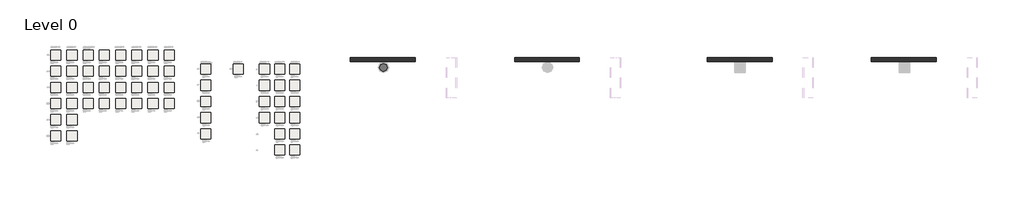
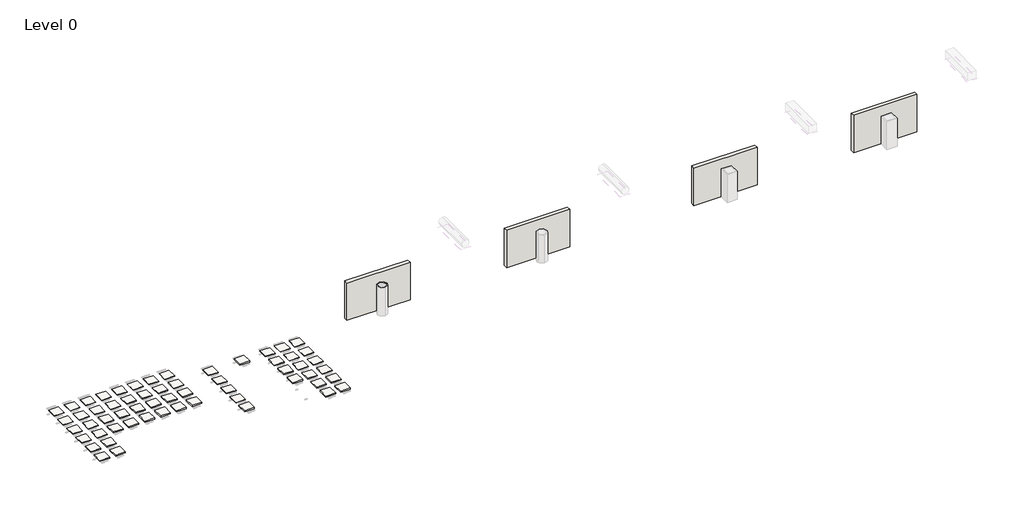
# One storey, part 1 of 71: 58 coverings, 4 walls, 1 duct segment.
"""IFC4 building model written with IfcOpenShell, lengths in millimetres."""

from ifc_helpers import new_model, si_unit, point, frame, frame_2d, origin, origin_with_axes, place, context, project, spatial, polyline, circle_curve, trimmed, segment, composite_curve, outline, extrude, element, save

model = new_model("IFC4")

# Units and contexts
model_context = context("Model", 3, world=origin())
ifc_project = project(units=[si_unit("LENGTHUNIT", "METRE", prefix="MILLI")], contexts=[model_context])

# Site, building, storey
site = spatial("IfcSite", under=ifc_project)
building = spatial("IfcBuilding", under=site)
storey = spatial("IfcBuildingStorey", under=building, Name="Level 0", Elevation=0.0)

# Coverings
placement = place(None, origin())
element("IfcCovering", 1, at=placement, inside=storey, context=model_context, shape_type="SweptSolid", body=[
    extrude(outline(polyline([(-15263.4348709, 5715.4921038), (-15263.4348709, 5215.4921038), (-15763.4348709, 5215.4921038), (-15763.4348709, 5715.4921038), (-15263.4348709, 5715.4921038)])), origin_with_axes(), (0.0, 0.0, 1.0), 21.0),
])
element("IfcCovering", 2, at=placement, inside=storey, context=model_context, shape_type="SweptSolid", body=[
    extrude(outline(polyline([(-7863.4348709, 5015.4921038), (-7863.4348709, 4515.4921038), (-8363.4348709, 4515.4921038), (-8363.4348709, 5015.4921038), (-7863.4348709, 5015.4921038)])), origin_with_axes(), (0.0, 0.0, 1.0), 21.0),
])
element("IfcCovering", 3, at=placement, inside=storey, context=model_context, shape_type="SweptSolid", body=[
    extrude(outline(polyline([(-4963.4348709, 5015.4921038), (-4963.4348709, 4515.4921038), (-5463.4348709, 4515.4921038), (-5463.4348709, 5015.4921038), (-4963.4348709, 5015.4921038)])), origin_with_axes(), (0.0, 0.0, 1.0), 22.0),
])
element("IfcCovering", 4, at=placement, inside=storey, context=model_context, shape_type="SweptSolid", body=[
    extrude(outline(polyline([(-4213.4348709, 5015.4921038), (-4213.4348709, 4515.4921038), (-4713.4348709, 4515.4921038), (-4713.4348709, 5015.4921038), (-4213.4348709, 5015.4921038)])), origin_with_axes(), (0.0, 0.0, 1.0), 21.0),
])
element("IfcCovering", 5, at=placement, inside=storey, context=model_context, shape_type="SweptSolid", body=[
    extrude(outline(polyline([(-3463.4348709, 5015.4921038), (-3463.4348709, 4515.4921038), (-3963.4348709, 4515.4921038), (-3963.4348709, 5015.4921038), (-3463.4348709, 5015.4921038)])), origin_with_axes(), (0.0, 0.0, 1.0), 21.0),
])
element("IfcCovering", 6, at=placement, inside=storey, context=model_context, shape_type="SweptSolid", body=[
    extrude(outline(polyline([(-15263.4348709, 4915.4921038), (-15263.4348709, 4415.4921038), (-15763.4348709, 4415.4921038), (-15763.4348709, 4915.4921038), (-15263.4348709, 4915.4921038)])), origin_with_axes(), (0.0, 0.0, 1.0), 21.0),
])
element("IfcCovering", 7, at=placement, inside=storey, context=model_context, shape_type="SweptSolid", body=[
    extrude(outline(polyline([(-15263.4348709, 4115.4921038), (-15263.4348709, 3615.4921038), (-15763.4348709, 3615.4921038), (-15763.4348709, 4115.4921038), (-15263.4348709, 4115.4921038)])), origin_with_axes(), (0.0, 0.0, 1.0), 21.0),
])
element("IfcCovering", 8, at=placement, inside=storey, context=model_context, shape_type="SweptSolid", body=[
    extrude(outline(polyline([(-15263.4348709, 3315.4921038), (-15263.4348709, 2815.4921038), (-15763.4348709, 2815.4921038), (-15763.4348709, 3315.4921038), (-15263.4348709, 3315.4921038)])), origin_with_axes(), (0.0, 0.0, 1.0), 24.0),
])
element("IfcCovering", 9, at=placement, inside=storey, context=model_context, shape_type="SweptSolid", body=[
    extrude(outline(polyline([(-15263.4348709, 2515.4921038), (-15263.4348709, 2015.4921038), (-15763.4348709, 2015.4921038), (-15763.4348709, 2515.4921038), (-15263.4348709, 2515.4921038)])), origin_with_axes(), (0.0, 0.0, 1.0), 34.0),
])
element("IfcCovering", 10, at=placement, inside=storey, context=model_context, shape_type="SweptSolid", body=[
    extrude(outline(polyline([(-15263.4348709, 1715.4921038), (-15263.4348709, 1215.4921038), (-15763.4348709, 1215.4921038), (-15763.4348709, 1715.4921038), (-15263.4348709, 1715.4921038)])), origin_with_axes(), (0.0, 0.0, 1.0), 43.0),
])
element("IfcCovering", 11, at=placement, inside=storey, context=model_context, shape_type="SweptSolid", body=[
    extrude(outline(polyline([(-14463.4348709, 5715.4921038), (-14463.4348709, 5215.4921038), (-14963.4348709, 5215.4921038), (-14963.4348709, 5715.4921038), (-14463.4348709, 5715.4921038)])), origin_with_axes(), (0.0, 0.0, 1.0), 21.0),
])
element("IfcCovering", 12, at=placement, inside=storey, context=model_context, shape_type="SweptSolid", body=[
    extrude(outline(polyline([(-14463.4348709, 4915.4921038), (-14463.4348709, 4415.4921038), (-14963.4348709, 4415.4921038), (-14963.4348709, 4915.4921038), (-14463.4348709, 4915.4921038)])), origin_with_axes(), (0.0, 0.0, 1.0), 21.0),
])
element("IfcCovering", 13, at=placement, inside=storey, context=model_context, shape_type="SweptSolid", body=[
    extrude(outline(polyline([(-14463.4348709, 4115.4921038), (-14463.4348709, 3615.4921038), (-14963.4348709, 3615.4921038), (-14963.4348709, 4115.4921038), (-14463.4348709, 4115.4921038)])), origin_with_axes(), (0.0, 0.0, 1.0), 23.0),
])
element("IfcCovering", 14, at=placement, inside=storey, context=model_context, shape_type="SweptSolid", body=[
    extrude(outline(polyline([(-14463.4348709, 3315.4921038), (-14463.4348709, 2815.4921038), (-14963.4348709, 2815.4921038), (-14963.4348709, 3315.4921038), (-14463.4348709, 3315.4921038)])), origin_with_axes(), (0.0, 0.0, 1.0), 30.0),
])
element("IfcCovering", 15, at=placement, inside=storey, context=model_context, shape_type="SweptSolid", body=[
    extrude(outline(polyline([(-14463.4348709, 2515.4921038), (-14463.4348709, 2015.4921038), (-14963.4348709, 2015.4921038), (-14963.4348709, 2515.4921038), (-14463.4348709, 2515.4921038)])), origin_with_axes(), (0.0, 0.0, 1.0), 43.0),
])
element("IfcCovering", 16, at=placement, inside=storey, context=model_context, shape_type="SweptSolid", body=[
    extrude(outline(polyline([(-14463.4348709, 1715.4921038), (-14463.4348709, 1215.4921038), (-14963.4348709, 1215.4921038), (-14963.4348709, 1715.4921038), (-14463.4348709, 1715.4921038)])), origin_with_axes(), (0.0, 0.0, 1.0), 56.0),
])
element("IfcCovering", 17, at=placement, inside=storey, context=model_context, shape_type="SweptSolid", body=[
    extrude(outline(polyline([(-13663.4348709, 5715.4921038), (-13663.4348709, 5215.4921038), (-14163.4348709, 5215.4921038), (-14163.4348709, 5715.4921038), (-13663.4348709, 5715.4921038)])), origin_with_axes(), (0.0, 0.0, 1.0), 21.0),
])
element("IfcCovering", 18, at=placement, inside=storey, context=model_context, shape_type="SweptSolid", body=[
    extrude(outline(polyline([(-13663.4348709, 4915.4921038), (-13663.4348709, 4415.4921038), (-14163.4348709, 4415.4921038), (-14163.4348709, 4915.4921038), (-13663.4348709, 4915.4921038)])), origin_with_axes(), (0.0, 0.0, 1.0), 25.0),
])
element("IfcCovering", 19, at=placement, inside=storey, context=model_context, shape_type="SweptSolid", body=[
    extrude(outline(polyline([(-13663.4348709, 4115.4921038), (-13663.4348709, 3615.4921038), (-14163.4348709, 3615.4921038), (-14163.4348709, 4115.4921038), (-13663.4348709, 4115.4921038)])), origin_with_axes(), (0.0, 0.0, 1.0), 38.0),
])
element("IfcCovering", 20, at=placement, inside=storey, context=model_context, shape_type="SweptSolid", body=[
    extrude(outline(polyline([(-13663.4348709, 3315.4921038), (-13663.4348709, 2815.4921038), (-14163.4348709, 2815.4921038), (-14163.4348709, 3315.4921038), (-13663.4348709, 3315.4921038)])), origin_with_axes(), (0.0, 0.0, 1.0), 51.0),
])
element("IfcCovering", 21, at=placement, inside=storey, context=model_context, shape_type="SweptSolid", body=[
    extrude(outline(polyline([(-12863.4348709, 5715.4921038), (-12863.4348709, 5215.4921038), (-13363.4348709, 5215.4921038), (-13363.4348709, 5715.4921038), (-12863.4348709, 5715.4921038)])), origin_with_axes(), (0.0, 0.0, 1.0), 21.0),
])
element("IfcCovering", 22, at=placement, inside=storey, context=model_context, shape_type="SweptSolid", body=[
    extrude(outline(polyline([(-12863.4348709, 4915.4921038), (-12863.4348709, 4415.4921038), (-13363.4348709, 4415.4921038), (-13363.4348709, 4915.4921038), (-12863.4348709, 4915.4921038)])), origin_with_axes(), (0.0, 0.0, 1.0), 26.0),
])
element("IfcCovering", 23, at=placement, inside=storey, context=model_context, shape_type="SweptSolid", body=[
    extrude(outline(polyline([(-12863.4348709, 4115.4921038), (-12863.4348709, 3615.4921038), (-13363.4348709, 3615.4921038), (-13363.4348709, 4115.4921038), (-12863.4348709, 4115.4921038)])), origin_with_axes(), (0.0, 0.0, 1.0), 38.0),
])
element("IfcCovering", 24, at=placement, inside=storey, context=model_context, shape_type="SweptSolid", body=[
    extrude(outline(polyline([(-12863.4348709, 3315.4921038), (-12863.4348709, 2815.4921038), (-13363.4348709, 2815.4921038), (-13363.4348709, 3315.4921038), (-12863.4348709, 3315.4921038)])), origin_with_axes(), (0.0, 0.0, 1.0), 51.0),
])
element("IfcCovering", 25, at=placement, inside=storey, context=model_context, shape_type="SweptSolid", body=[
    extrude(outline(polyline([(-12063.4348709, 5715.4921038), (-12063.4348709, 5215.4921038), (-12563.4348709, 5215.4921038), (-12563.4348709, 5715.4921038), (-12063.4348709, 5715.4921038)])), origin_with_axes(), (0.0, 0.0, 1.0), 21.0),
])
element("IfcCovering", 26, at=placement, inside=storey, context=model_context, shape_type="SweptSolid", body=[
    extrude(outline(polyline([(-12063.4348709, 4915.4921038), (-12063.4348709, 4415.4921038), (-12563.4348709, 4415.4921038), (-12563.4348709, 4915.4921038), (-12063.4348709, 4915.4921038)])), origin_with_axes(), (0.0, 0.0, 1.0), 35.0),
])
element("IfcCovering", 27, at=placement, inside=storey, context=model_context, shape_type="SweptSolid", body=[
    extrude(outline(polyline([(-12063.4348709, 4115.4921038), (-12063.4348709, 3615.4921038), (-12563.4348709, 3615.4921038), (-12563.4348709, 4115.4921038), (-12063.4348709, 4115.4921038)])), origin_with_axes(), (0.0, 0.0, 1.0), 52.0),
])
element("IfcCovering", 28, at=placement, inside=storey, context=model_context, shape_type="SweptSolid", body=[
    extrude(outline(polyline([(-12063.4348709, 3315.4921038), (-12063.4348709, 2815.4921038), (-12563.4348709, 2815.4921038), (-12563.4348709, 3315.4921038), (-12063.4348709, 3315.4921038)])), origin_with_axes(), (0.0, 0.0, 1.0), 69.0),
])
element("IfcCovering", 29, at=placement, inside=storey, context=model_context, shape_type="SweptSolid", body=[
    extrude(outline(polyline([(-11263.4348709, 5715.4921038), (-11263.4348709, 5215.4921038), (-11763.4348709, 5215.4921038), (-11763.4348709, 5715.4921038), (-11263.4348709, 5715.4921038)])), origin_with_axes(), (0.0, 0.0, 1.0), 21.0),
])
element("IfcCovering", 30, at=placement, inside=storey, context=model_context, shape_type="SweptSolid", body=[
    extrude(outline(polyline([(-11263.4348709, 4915.4921038), (-11263.4348709, 4415.4921038), (-11763.4348709, 4415.4921038), (-11763.4348709, 4915.4921038), (-11263.4348709, 4915.4921038)])), origin_with_axes(), (0.0, 0.0, 1.0), 35.0),
])
element("IfcCovering", 31, at=placement, inside=storey, context=model_context, shape_type="SweptSolid", body=[
    extrude(outline(polyline([(-11263.4348709, 4115.4921038), (-11263.4348709, 3615.4921038), (-11763.4348709, 3615.4921038), (-11763.4348709, 4115.4921038), (-11263.4348709, 4115.4921038)])), origin_with_axes(), (0.0, 0.0, 1.0), 52.0),
])
element("IfcCovering", 32, at=placement, inside=storey, context=model_context, shape_type="SweptSolid", body=[
    extrude(outline(polyline([(-11263.4348709, 3315.4921038), (-11263.4348709, 2815.4921038), (-11763.4348709, 2815.4921038), (-11763.4348709, 3315.4921038), (-11263.4348709, 3315.4921038)])), origin_with_axes(), (0.0, 0.0, 1.0), 69.0),
])
element("IfcCovering", 33, at=placement, inside=storey, context=model_context, shape_type="SweptSolid", body=[
    extrude(outline(polyline([(-10463.4348709, 5715.4921038), (-10463.4348709, 5215.4921038), (-10963.4348709, 5215.4921038), (-10963.4348709, 5715.4921038), (-10463.4348709, 5715.4921038)])), origin_with_axes(), (0.0, 0.0, 1.0), 21.0),
])
element("IfcCovering", 34, at=placement, inside=storey, context=model_context, shape_type="SweptSolid", body=[
    extrude(outline(polyline([(-10463.4348709, 4915.4921038), (-10463.4348709, 4415.4921038), (-10963.4348709, 4415.4921038), (-10963.4348709, 4915.4921038), (-10463.4348709, 4915.4921038)])), origin_with_axes(), (0.0, 0.0, 1.0), 35.0),
])
element("IfcCovering", 35, at=placement, inside=storey, context=model_context, shape_type="SweptSolid", body=[
    extrude(outline(polyline([(-10463.4348709, 4115.4921038), (-10463.4348709, 3615.4921038), (-10963.4348709, 3615.4921038), (-10963.4348709, 4115.4921038), (-10463.4348709, 4115.4921038)])), origin_with_axes(), (0.0, 0.0, 1.0), 52.0),
])
element("IfcCovering", 36, at=placement, inside=storey, context=model_context, shape_type="SweptSolid", body=[
    extrude(outline(polyline([(-10463.4348709, 3315.4921038), (-10463.4348709, 2815.4921038), (-10963.4348709, 2815.4921038), (-10963.4348709, 3315.4921038), (-10463.4348709, 3315.4921038)])), origin_with_axes(), (0.0, 0.0, 1.0), 69.0),
])
element("IfcCovering", 37, at=placement, inside=storey, context=model_context, shape_type="SweptSolid", body=[
    extrude(outline(polyline([(-9663.4348709, 5715.4921038), (-9663.4348709, 5215.4921038), (-10163.4348709, 5215.4921038), (-10163.4348709, 5715.4921038), (-9663.4348709, 5715.4921038)])), origin_with_axes(), (0.0, 0.0, 1.0), 21.0),
])
element("IfcCovering", 38, at=placement, inside=storey, context=model_context, shape_type="SweptSolid", body=[
    extrude(outline(polyline([(-9663.4348709, 4915.4921038), (-9663.4348709, 4415.4921038), (-10163.4348709, 4415.4921038), (-10163.4348709, 4915.4921038), (-9663.4348709, 4915.4921038)])), origin_with_axes(), (0.0, 0.0, 1.0), 35.0),
])
element("IfcCovering", 39, at=placement, inside=storey, context=model_context, shape_type="SweptSolid", body=[
    extrude(outline(polyline([(-9663.4348709, 4115.4921038), (-9663.4348709, 3615.4921038), (-10163.4348709, 3615.4921038), (-10163.4348709, 4115.4921038), (-9663.4348709, 4115.4921038)])), origin_with_axes(), (0.0, 0.0, 1.0), 52.0),
])
element("IfcCovering", 40, at=placement, inside=storey, context=model_context, shape_type="SweptSolid", body=[
    extrude(outline(polyline([(-9663.4348709, 3315.4921038), (-9663.4348709, 2815.4921038), (-10163.4348709, 2815.4921038), (-10163.4348709, 3315.4921038), (-9663.4348709, 3315.4921038)])), origin_with_axes(), (0.0, 0.0, 1.0), 69.0),
])
element("IfcCovering", 41, at=placement, inside=storey, context=model_context, shape_type="SweptSolid", body=[
    extrude(outline(polyline([(-7863.4348709, 4215.4921038), (-7863.4348709, 3715.4921038), (-8363.4348709, 3715.4921038), (-8363.4348709, 4215.4921038), (-7863.4348709, 4215.4921038)])), origin_with_axes(), (0.0, 0.0, 1.0), 21.0),
])
element("IfcCovering", 42, at=placement, inside=storey, context=model_context, shape_type="SweptSolid", body=[
    extrude(outline(polyline([(-7863.4348709, 3415.4921038), (-7863.4348709, 2915.4921038), (-8363.4348709, 2915.4921038), (-8363.4348709, 3415.4921038), (-7863.4348709, 3415.4921038)])), origin_with_axes(), (0.0, 0.0, 1.0), 21.0),
])
element("IfcCovering", 43, at=placement, inside=storey, context=model_context, shape_type="SweptSolid", body=[
    extrude(outline(polyline([(-7863.4348709, 2615.4921038), (-7863.4348709, 2115.4921038), (-8363.4348709, 2115.4921038), (-8363.4348709, 2615.4921038), (-7863.4348709, 2615.4921038)])), origin_with_axes(), (0.0, 0.0, 1.0), 21.0),
])
element("IfcCovering", 44, at=placement, inside=storey, context=model_context, shape_type="SweptSolid", body=[
    extrude(outline(polyline([(-7863.4348709, 1815.4921038), (-7863.4348709, 1315.4921038), (-8363.4348709, 1315.4921038), (-8363.4348709, 1815.4921038), (-7863.4348709, 1815.4921038)])), origin_with_axes(), (0.0, 0.0, 1.0), 69.0),
])
element("IfcCovering", 45, at=placement, inside=storey, context=model_context, shape_type="SweptSolid", body=[
    extrude(outline(polyline([(-6263.4348709, 5015.4921038), (-6263.4348709, 4515.4921038), (-6763.4348709, 4515.4921038), (-6763.4348709, 5015.4921038), (-6263.4348709, 5015.4921038)])), origin_with_axes(), (0.0, 0.0, 1.0), 57.0),
])
element("IfcCovering", 46, at=placement, inside=storey, context=model_context, shape_type="SweptSolid", body=[
    extrude(outline(polyline([(-4963.4348709, 4215.4921038), (-4963.4348709, 3715.4921038), (-5463.4348709, 3715.4921038), (-5463.4348709, 4215.4921038), (-4963.4348709, 4215.4921038)])), origin_with_axes(), (0.0, 0.0, 1.0), 41.0),
])
element("IfcCovering", 47, at=placement, inside=storey, context=model_context, shape_type="SweptSolid", body=[
    extrude(outline(polyline([(-4213.4348709, 4215.4921038), (-4213.4348709, 3715.4921038), (-4713.4348709, 3715.4921038), (-4713.4348709, 4215.4921038), (-4213.4348709, 4215.4921038)])), origin_with_axes(), (0.0, 0.0, 1.0), 21.0),
])
element("IfcCovering", 48, at=placement, inside=storey, context=model_context, shape_type="SweptSolid", body=[
    extrude(outline(polyline([(-3463.4348709, 4215.4921038), (-3463.4348709, 3715.4921038), (-3963.4348709, 3715.4921038), (-3963.4348709, 4215.4921038), (-3463.4348709, 4215.4921038)])), origin_with_axes(), (0.0, 0.0, 1.0), 21.0),
])
element("IfcCovering", 49, at=placement, inside=storey, context=model_context, shape_type="SweptSolid", body=[
    extrude(outline(polyline([(-4963.4348709, 3415.4921038), (-4963.4348709, 2915.4921038), (-5463.4348709, 2915.4921038), (-5463.4348709, 3415.4921038), (-4963.4348709, 3415.4921038)])), origin_with_axes(), (0.0, 0.0, 1.0), 60.0),
])
element("IfcCovering", 50, at=placement, inside=storey, context=model_context, shape_type="SweptSolid", body=[
    extrude(outline(polyline([(-4213.4348709, 3415.4921038), (-4213.4348709, 2915.4921038), (-4713.4348709, 2915.4921038), (-4713.4348709, 3415.4921038), (-4213.4348709, 3415.4921038)])), origin_with_axes(), (0.0, 0.0, 1.0), 28.0),
])
element("IfcCovering", 51, at=placement, inside=storey, context=model_context, shape_type="SweptSolid", body=[
    extrude(outline(polyline([(-3463.4348709, 3415.4921038), (-3463.4348709, 2915.4921038), (-3963.4348709, 2915.4921038), (-3963.4348709, 3415.4921038), (-3463.4348709, 3415.4921038)])), origin_with_axes(), (0.0, 0.0, 1.0), 21.0),
])
element("IfcCovering", 52, at=placement, inside=storey, context=model_context, shape_type="SweptSolid", body=[
    extrude(outline(polyline([(-4963.4348709, 2615.4921038), (-4963.4348709, 2115.4921038), (-5463.4348709, 2115.4921038), (-5463.4348709, 2615.4921038), (-4963.4348709, 2615.4921038)])), origin_with_axes(), (0.0, 0.0, 1.0), 70.0),
])
element("IfcCovering", 53, at=placement, inside=storey, context=model_context, shape_type="SweptSolid", body=[
    extrude(outline(polyline([(-4213.4348709, 2615.4921038), (-4213.4348709, 2115.4921038), (-4713.4348709, 2115.4921038), (-4713.4348709, 2615.4921038), (-4213.4348709, 2615.4921038)])), origin_with_axes(), (0.0, 0.0, 1.0), 34.0),
])
element("IfcCovering", 54, at=placement, inside=storey, context=model_context, shape_type="SweptSolid", body=[
    extrude(outline(polyline([(-4213.4348709, 1815.4921038), (-4213.4348709, 1315.4921038), (-4713.4348709, 1315.4921038), (-4713.4348709, 1815.4921038), (-4213.4348709, 1815.4921038)])), origin_with_axes(), (0.0, 0.0, 1.0), 47.0),
])
element("IfcCovering", 55, at=placement, inside=storey, context=model_context, shape_type="SweptSolid", body=[
    extrude(outline(polyline([(-4213.4348709, 1015.4921038), (-4213.4348709, 515.4921038), (-4713.4348709, 515.4921038), (-4713.4348709, 1015.4921038), (-4213.4348709, 1015.4921038)])), origin_with_axes(), (0.0, 0.0, 1.0), 59.0),
])
element("IfcCovering", 56, at=placement, inside=storey, context=model_context, shape_type="SweptSolid", body=[
    extrude(outline(polyline([(-3463.4348709, 2615.4921038), (-3463.4348709, 2115.4921038), (-3963.4348709, 2115.4921038), (-3963.4348709, 2615.4921038), (-3463.4348709, 2615.4921038)])), origin_with_axes(), (0.0, 0.0, 1.0), 29.0),
])
element("IfcCovering", 57, at=placement, inside=storey, context=model_context, shape_type="SweptSolid", body=[
    extrude(outline(polyline([(-3463.4348709, 1815.4921038), (-3463.4348709, 1315.4921038), (-3963.4348709, 1315.4921038), (-3963.4348709, 1815.4921038), (-3463.4348709, 1815.4921038)])), origin_with_axes(), (0.0, 0.0, 1.0), 44.0),
])
element("IfcCovering", 58, at=placement, inside=storey, context=model_context, shape_type="SweptSolid", body=[
    extrude(outline(polyline([(-3463.4348709, 1015.4921038), (-3463.4348709, 515.4921038), (-3963.4348709, 515.4921038), (-3963.4348709, 1015.4921038), (-3463.4348709, 1015.4921038)])), origin_with_axes(), (0.0, 0.0, 1.0), 59.0),
])

# Duct segment
element("IfcDuctSegment", 59, ObjectType="Conduit circulaire ventilation", at=placement, inside=storey, context=model_context, shape_type="SweptSolid", body=[
    extrude(outline(composite_curve([segment(trimmed(circle_curve(frame_2d((654.6470319, 4851.6718394)), 200.0), [point((854.6470319, 4851.6718394))], [point((654.6470319, 4651.6718394))], False, "CARTESIAN"), True, "CONTINUOUS"), segment(trimmed(circle_curve(frame_2d((654.6470319, 4851.6718394)), 200.0), [point((654.6470319, 4651.6718394))], [point((454.6470319, 4851.6718394))], False, "CARTESIAN"), True, "CONTINUOUS"), segment(trimmed(circle_curve(frame_2d((654.6470319, 4851.6718394)), 200.0), [point((454.6470319, 4851.6718394))], [point((654.6470319, 5051.6718394))], False, "CARTESIAN"), True, "CONTINUOUS"), segment(trimmed(circle_curve(frame_2d((654.6470319, 4851.6718394)), 200.0), [point((654.6470319, 5051.6718394))], [point((854.6470319, 4851.6718394))], False, "CARTESIAN"), True, "CONTINUOUS")], self_intersect=False)), frame((0.0, 0.0, 5.9594498), z_axis=(0.0, 0.0, 1.0), x_axis=(1.0, 0.0, 0.0)), (0.0, 0.0, 1.0), 1494.0405502),
])

# Walls
element("IfcWall", 60, ObjectType="Generic 200mm", at=placement, inside=storey, context=model_context, shape_type="SweptSolid", body=[
    extrude(outline(polyline([(2227.9735449, 5135.7309788), (-972.0264551, 5135.7309788), (-972.0264551, 5335.7309788), (2227.9735449, 5335.7309788), (2227.9735449, 5135.7309788)])), origin_with_axes(), (0.0, 0.0, 1.0), 2000.0),
])
element("IfcWall", 61, ObjectType="Generic 200mm", at=placement, inside=storey, context=model_context, shape_type="SweptSolid", body=[
    extrude(outline(polyline([(10327.9735449, 5135.7309788), (7127.9735449, 5135.7309788), (7127.9735449, 5335.7309788), (10327.9735449, 5335.7309788), (10327.9735449, 5135.7309788)])), origin_with_axes(), (0.0, 0.0, 1.0), 2000.0),
])
element("IfcWall", 62, ObjectType="Generic 200mm", at=placement, inside=storey, context=model_context, shape_type="SweptSolid", body=[
    extrude(outline(polyline([(19827.9735449, 5135.7309788), (16627.9735449, 5135.7309788), (16627.9735449, 5335.7309788), (19827.9735449, 5335.7309788), (19827.9735449, 5135.7309788)])), origin_with_axes(), (0.0, 0.0, 1.0), 2000.0),
])
element("IfcWall", 63, ObjectType="Generic 200mm", at=placement, inside=storey, context=model_context, shape_type="SweptSolid", body=[
    extrude(outline(polyline([(27927.9735449, 5135.7309788), (24727.9735449, 5135.7309788), (24727.9735449, 5335.7309788), (27927.9735449, 5335.7309788), (27927.9735449, 5135.7309788)])), origin_with_axes(), (0.0, 0.0, 1.0), 2000.0),
])

save(model, "model.ifc")
